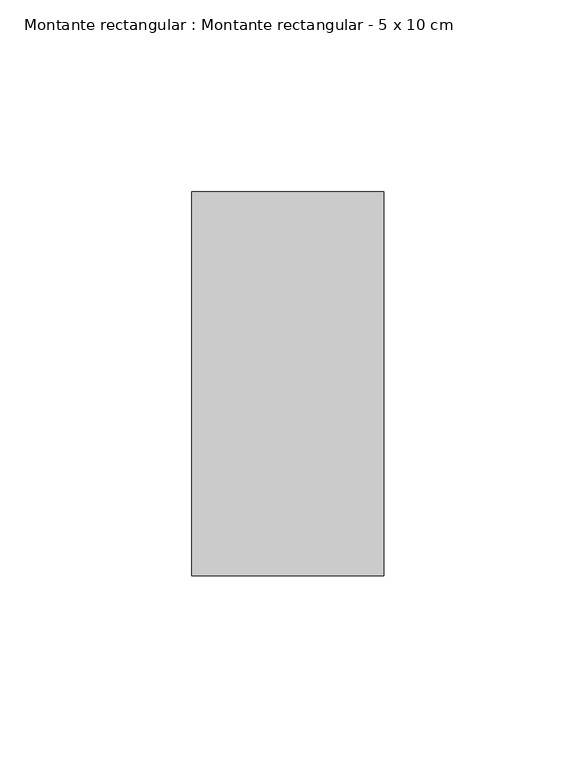
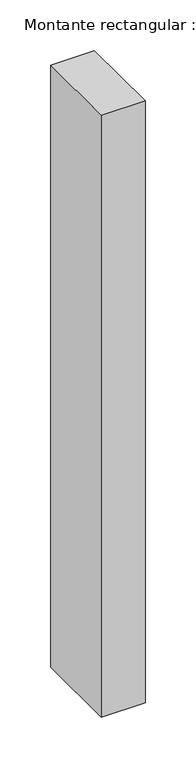
"""IFC4 building model written with IfcOpenShell, lengths in millimetres: member geometry, Montante rectangular : Montante rectangular - 5 x 10 cm."""

from ifc_helpers import new_model, si_unit, frame, origin, place, context, project, spatial, polyline, outline, extrude, source, transform, mapped, element, save


def montante_rectangular_montante_rectangular_5_x_10_cm_728581ba(model_context):
    return source(origin(), model_context, "Body", "SweptSolid", [
        extrude(outline(polyline([(-50.0, 50.0), (0.0, 50.0), (0.0, -50.0), (-50.0, -50.0), (-50.0, 50.0)])), frame((0.0, 0.0, -725.9568416), z_axis=(0.0, 0.0, 1.0), x_axis=(1.0, 0.0, 0.0)), (0.0, 0.0, 1.0), 725.9568416),
    ])


if __name__ == "__main__":
    model = new_model("IFC4")
    model_context = context("Model", 3, world=origin())
    ifc_project = project(units=[si_unit("LENGTHUNIT", "METRE", prefix="MILLI")], contexts=[model_context])
    site = spatial("IfcSite", under=ifc_project)
    building = spatial("IfcBuilding", under=site)
    placement = place(None, origin())
    montante_rectangular_montante_rectangular_5_x_10_cm_shape = montante_rectangular_montante_rectangular_5_x_10_cm_728581ba(model_context)
    element("IfcMember", 1, ObjectType="Montante rectangular : Montante rectangular - 5 x 10 cm", at=placement, inside=building, context=model_context, shape_type="MappedRepresentation", body=[
        mapped(montante_rectangular_montante_rectangular_5_x_10_cm_shape, transform((0.0, 0.0, 0.0), x_axis=(1.0, 0.0, 0.0), y_axis=(0.0, 1.0, 0.0), z_axis=(0.0, 0.0, 1.0))),
    ])
    save(model, "model.ifc")
